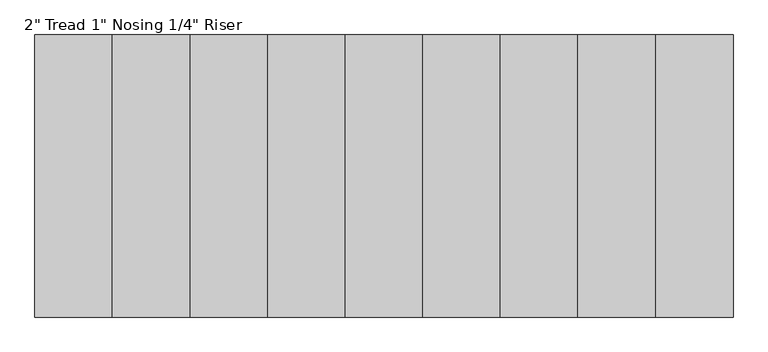
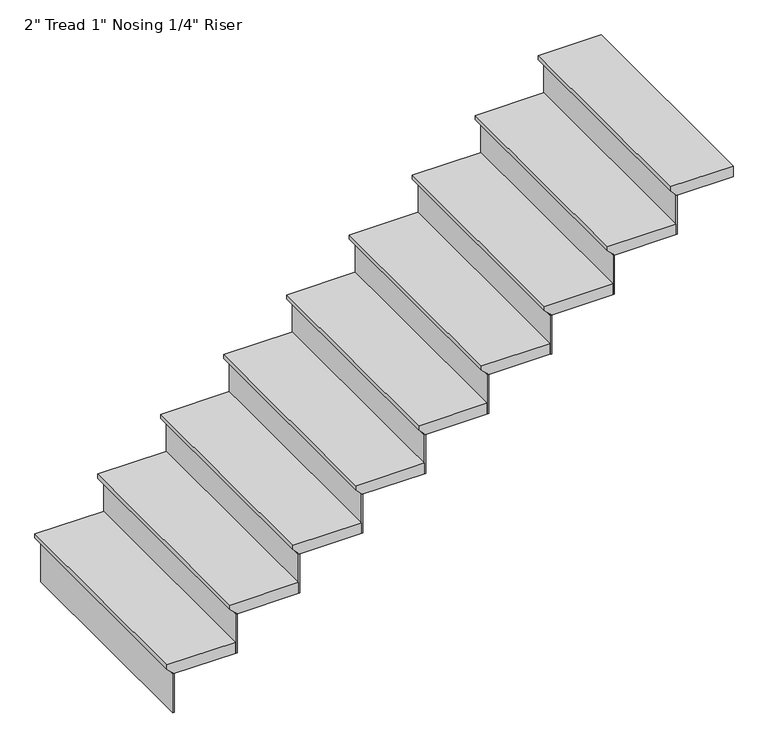
"""IFC4 building model written with IfcOpenShell, lengths in millimetres: stair flight geometry."""

from ifc_helpers import new_model, si_unit, frame, origin, place, context, project, spatial, polyline, outline, extrude, source, transform, mapped, element, save


def stair_flight_852d2899(model_context):
    return source(origin(), model_context, "Body", "SweptSolid", [
        extrude(outline(polyline([(5126.5666667, 3066.8029953), (5126.5666667, 2762.0029953), (5107.5166667, 2762.0029953), (5082.1166667, 2787.4029953), (5075.7666667, 2787.4029953), (5075.7666667, 3066.8029953), (5126.5666667, 3066.8029953)])), frame((0.0, 1930.3857033, 0.0), z_axis=(0.0, 1.0, 0.0), x_axis=(0.0, 0.0, 1.0)), (0.0, 0.0, 1.0), 1016.0),
        extrude(outline(polyline([(2793.7529953, 1930.3857033), (2787.4029953, 1930.3857033), (2787.4029953, 2946.3857033), (2793.7529953, 2946.3857033), (2793.7529953, 1930.3857033)])), frame((0.0, 0.0, 4892.675), z_axis=(0.0, 0.0, 1.0), x_axis=(1.0, 0.0, 0.0)), (0.0, 0.0, 1.0), 183.0916667),
        extrude(outline(polyline([(3073.1529953, 1930.3857033), (3066.8029953, 1930.3857033), (3066.8029953, 2946.3857033), (3073.1529953, 2946.3857033), (3073.1529953, 1930.3857033)])), frame((0.0, 0.0, 5075.7666667), z_axis=(0.0, 0.0, 1.0), x_axis=(1.0, 0.0, 0.0)), (0.0, 0.0, 1.0), 183.0916667),
        extrude(outline(polyline([(5309.6583333, 3346.2029953), (5309.6583333, 3041.4029953), (5290.6083333, 3041.4029953), (5265.2083333, 3066.8029953), (5258.8583333, 3066.8029953), (5258.8583333, 3346.2029953), (5309.6583333, 3346.2029953)])), frame((0.0, 1930.3857033, 0.0), z_axis=(0.0, 1.0, 0.0), x_axis=(0.0, 0.0, 1.0)), (0.0, 0.0, 1.0), 1016.0),
        extrude(outline(polyline([(3352.5529953, 1930.3857033), (3346.2029953, 1930.3857033), (3346.2029953, 2946.3857033), (3352.5529953, 2946.3857033), (3352.5529953, 1930.3857033)])), frame((0.0, 0.0, 5258.8583333), z_axis=(0.0, 0.0, 1.0), x_axis=(1.0, 0.0, 0.0)), (0.0, 0.0, 1.0), 183.0916667),
        extrude(outline(polyline([(5492.75, 3625.6029953), (5492.75, 3320.8029953), (5473.7, 3320.8029953), (5448.3, 3346.2029953), (5441.95, 3346.2029953), (5441.95, 3625.6029953), (5492.75, 3625.6029953)])), frame((0.0, 1930.3857033, 0.0), z_axis=(0.0, 1.0, 0.0), x_axis=(0.0, 0.0, 1.0)), (0.0, 0.0, 1.0), 1016.0),
        extrude(outline(polyline([(3631.9529953, 1930.3857033), (3625.6029953, 1930.3857033), (3625.6029953, 2946.3857033), (3631.9529953, 2946.3857033), (3631.9529953, 1930.3857033)])), frame((0.0, 0.0, 5441.95), z_axis=(0.0, 0.0, 1.0), x_axis=(1.0, 0.0, 0.0)), (0.0, 0.0, 1.0), 183.0916667),
        extrude(outline(polyline([(5675.8416667, 3905.0029953), (5675.8416667, 3600.2029953), (5656.7916667, 3600.2029953), (5631.3916667, 3625.6029953), (5625.0416667, 3625.6029953), (5625.0416667, 3905.0029953), (5675.8416667, 3905.0029953)])), frame((0.0, 1930.3857033, 0.0), z_axis=(0.0, 1.0, 0.0), x_axis=(0.0, 0.0, 1.0)), (0.0, 0.0, 1.0), 1016.0),
        extrude(outline(polyline([(3911.3529953, 1930.3857033), (3905.0029953, 1930.3857033), (3905.0029953, 2946.3857033), (3911.3529953, 2946.3857033), (3911.3529953, 1930.3857033)])), frame((0.0, 0.0, 5625.0416667), z_axis=(0.0, 0.0, 1.0), x_axis=(1.0, 0.0, 0.0)), (0.0, 0.0, 1.0), 183.0916667),
        extrude(outline(polyline([(5858.9333333, 4184.4029953), (5858.9333333, 3879.6029953), (5839.8833333, 3879.6029953), (5814.4833333, 3905.0029953), (5808.1333333, 3905.0029953), (5808.1333333, 4184.4029953), (5858.9333333, 4184.4029953)])), frame((0.0, 1930.3857033, 0.0), z_axis=(0.0, 1.0, 0.0), x_axis=(0.0, 0.0, 1.0)), (0.0, 0.0, 1.0), 1016.0),
        extrude(outline(polyline([(4190.7529953, 1930.3857033), (4184.4029953, 1930.3857033), (4184.4029953, 2946.3857033), (4190.7529953, 2946.3857033), (4190.7529953, 1930.3857033)])), frame((0.0, 0.0, 5808.1333333), z_axis=(0.0, 0.0, 1.0), x_axis=(1.0, 0.0, 0.0)), (0.0, 0.0, 1.0), 183.0916667),
        extrude(outline(polyline([(6042.025, 4463.8029953), (6042.025, 4159.0029953), (6022.975, 4159.0029953), (5997.575, 4184.4029953), (5991.225, 4184.4029953), (5991.225, 4463.8029953), (6042.025, 4463.8029953)])), frame((0.0, 1930.3857033, 0.0), z_axis=(0.0, 1.0, 0.0), x_axis=(0.0, 0.0, 1.0)), (0.0, 0.0, 1.0), 1016.0),
        extrude(outline(polyline([(4470.1529953, 1930.3857033), (4463.8029953, 1930.3857033), (4463.8029953, 2946.3857033), (4470.1529953, 2946.3857033), (4470.1529953, 1930.3857033)])), frame((0.0, 0.0, 5991.225), z_axis=(0.0, 0.0, 1.0), x_axis=(1.0, 0.0, 0.0)), (0.0, 0.0, 1.0), 183.0916667),
        extrude(outline(polyline([(6225.1166667, 4743.2029953), (6225.1166667, 4438.4029953), (6206.0666667, 4438.4029953), (6180.6666667, 4463.8029953), (6174.3166667, 4463.8029953), (6174.3166667, 4743.2029953), (6225.1166667, 4743.2029953)])), frame((0.0, 1930.3857033, 0.0), z_axis=(0.0, 1.0, 0.0), x_axis=(0.0, 0.0, 1.0)), (0.0, 0.0, 1.0), 1016.0),
        extrude(outline(polyline([(4749.5529953, 1930.3857033), (4743.2029953, 1930.3857033), (4743.2029953, 2946.3857033), (4749.5529953, 2946.3857033), (4749.5529953, 1930.3857033)])), frame((0.0, 0.0, 6174.3166667), z_axis=(0.0, 0.0, 1.0), x_axis=(1.0, 0.0, 0.0)), (0.0, 0.0, 1.0), 183.0916667),
        extrude(outline(polyline([(6408.2083333, 5022.6029953), (6408.2083333, 4717.8029953), (6389.1583333, 4717.8029953), (6363.7583333, 4743.2029953), (6357.4083333, 4743.2029953), (6357.4083333, 5022.6029953), (6408.2083333, 5022.6029953)])), frame((0.0, 1930.3857033, 0.0), z_axis=(0.0, 1.0, 0.0), x_axis=(0.0, 0.0, 1.0)), (0.0, 0.0, 1.0), 1016.0),
        extrude(outline(polyline([(5028.9529953, 1930.3857033), (5022.6029953, 1930.3857033), (5022.6029953, 2946.3857033), (5028.9529953, 2946.3857033), (5028.9529953, 1930.3857033)])), frame((0.0, 0.0, 6357.4083333), z_axis=(0.0, 0.0, 1.0), x_axis=(1.0, 0.0, 0.0)), (0.0, 0.0, 1.0), 183.0916667),
        extrude(outline(polyline([(6591.3, 5276.6029953), (6591.3, 4997.2029953), (6572.25, 4997.2029953), (6546.85, 5022.6029953), (6540.5, 5022.6029953), (6540.5, 5276.6029953), (6591.3, 5276.6029953)])), frame((0.0, 1930.3857033, 0.0), z_axis=(0.0, 1.0, 0.0), x_axis=(0.0, 0.0, 1.0)), (0.0, 0.0, 1.0), 1016.0),
    ])


if __name__ == "__main__":
    model = new_model("IFC4")
    model_context = context("Model", 3, world=origin())
    ifc_project = project(units=[si_unit("LENGTHUNIT", "METRE", prefix="MILLI")], contexts=[model_context])
    site = spatial("IfcSite", under=ifc_project)
    building = spatial("IfcBuilding", under=site)
    placement = place(None, origin())
    stair_flight_shape = stair_flight_852d2899(model_context)
    element("IfcStairFlight", 1, ObjectType="2\" Tread 1\" Nosing 1/4\" Riser", at=placement, inside=building, context=model_context, shape_type="MappedRepresentation", body=[
        mapped(stair_flight_shape, transform((0.0, 0.0, 0.0), x_axis=(1.0, 0.0, 0.0), y_axis=(0.0, 1.0, 0.0), z_axis=(0.0, 0.0, 1.0))),
    ])
    save(model, "model.ifc")
